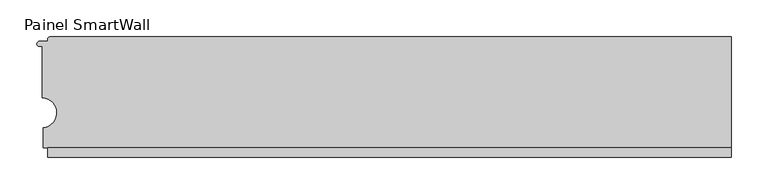
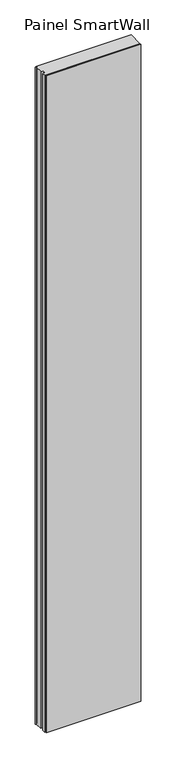
"""IFC4 building model written with IfcOpenShell, lengths in millimetres: proxy geometry, Painel SmartWall."""

import ifcopenshell
import ifcopenshell.guid

model = None  # the IFC model being written
_history = None  # IfcOwnerHistory: only IFC2X3 demands one
_inside = {}  # id of a spatial element -> (the spatial element, [elements in it])
_under = {}  # id of a project, library or spatial element -> (it, [spatial elements below it])
_declared = {}  # id of a project -> (the project, [libraries it declares])
_typed = {}  # id of a type object -> (the type object, [elements of that type])
_made_of = {}  # id of a material, layer set ... -> (it, [elements and type objects made of it])


def new_model(schema):
    """Start an empty IFC model of exactly this schema.

    Asked for "IFC4X3", IfcOpenShell would pick the latest addendum, in which some entities
    have other attributes; the version numbers below select the first issue.
    IFC2X3 requires an IfcOwnerHistory on every rooted entity: one is made here for all.
    """
    global model, _history
    if schema == "IFC4X3":
        model = ifcopenshell.file(schema_version=(4, 3, 0, 0))
    else:
        model = ifcopenshell.file(schema=schema)
    _inside.clear()
    _under.clear()
    _declared.clear()
    _typed.clear()
    _made_of.clear()
    _history = None
    if model.schema == "IFC2X3":
        org = make("IfcOrganization", Name="unknown")
        user = make(
            "IfcPersonAndOrganization",
            ThePerson=make("IfcPerson", FamilyName="unknown"),
            TheOrganization=org,
        )
        app = make(
            "IfcApplication",
            ApplicationDeveloper=org,
            Version="unknown",
            ApplicationFullName="unknown",
            ApplicationIdentifier="unknown",
        )
        _history = make(
            "IfcOwnerHistory",
            OwningUser=user,
            OwningApplication=app,
            ChangeAction="ADDED",
            CreationDate=0,
        )
    return model


def make(cls, **values):
    """One entity of the class cls with the attributes given. An attribute that is None is left unset."""
    return model.create_entity(
        cls, **{name: value for name, value in values.items() if value is not None}
    )


def rooted(cls, **values):
    """An entity with a GlobalId (a new one), such as an element, a storey or a relation."""
    return make(cls, GlobalId=ifcopenshell.guid.new(), OwnerHistory=_history, **values)


def si_unit(unit_type, name, prefix=None):
    """IfcSIUnit, for example si_unit("LENGTHUNIT", "METRE", prefix="MILLI")."""
    return make("IfcSIUnit", UnitType=unit_type, Prefix=prefix, Name=name)


def assignment(units):
    """IfcUnitAssignment: the units of a project."""
    return None if units is None else make("IfcUnitAssignment", Units=units)


def point(xyz):
    """IfcCartesianPoint."""
    return None if xyz is None else make("IfcCartesianPoint", Coordinates=xyz)


def direction(xyz):
    """IfcDirection."""
    return None if xyz is None else make("IfcDirection", DirectionRatios=xyz)


def frame(location, z_axis=None, x_axis=None):
    """IfcAxis2Placement3D, a coordinate frame: its origin and axes. An axis left out is left unset."""
    return make(
        "IfcAxis2Placement3D",
        Location=point(location),
        Axis=direction(z_axis),
        RefDirection=direction(x_axis),
    )


def frame_2d(location, x_axis=None):
    """IfcAxis2Placement2D, a coordinate frame in the plane: its origin and x axis."""
    return make(
        "IfcAxis2Placement2D", Location=point(location), RefDirection=direction(x_axis)
    )


def origin():
    """The frame at (0, 0, 0) with its axes left unset."""
    return frame((0.0, 0.0, 0.0))


def origin_with_axes():
    """The frame at (0, 0, 0) with the z axis (0, 0, 1) and the x axis (1, 0, 0) written out."""
    return frame((0.0, 0.0, 0.0), z_axis=(0.0, 0.0, 1.0), x_axis=(1.0, 0.0, 0.0))


def place(relative_to, where):
    """IfcLocalPlacement: puts the frame where relative to a parent placement (None: the world)."""
    return make(
        "IfcLocalPlacement", PlacementRelTo=relative_to, RelativePlacement=where
    )


def context(
    kind, dimensions, precision=None, world=None, true_north=None, identifier=None
):
    """IfcGeometricRepresentationContext, for example the 3D "Model" context."""
    return make(
        "IfcGeometricRepresentationContext",
        ContextIdentifier=identifier,
        ContextType=kind,
        CoordinateSpaceDimension=dimensions,
        Precision=precision,
        WorldCoordinateSystem=world,
        TrueNorth=true_north,
    )


def project(units=None, contexts=None):
    """IfcProject with its units and contexts."""
    return rooted(
        "IfcProject",
        Name="project",
        RepresentationContexts=contexts,
        UnitsInContext=assignment(units),
    )


def spatial(cls, under=None, at=None, **own):
    """A site, building, storey or space (cls), placed at a placement, below another one or the project."""
    s = rooted(cls, ObjectPlacement=at, **own)
    if under is not None:
        _under.setdefault(under.id(), (under, []))[1].append(s)
    return s


def polyline(points):
    """IfcPolyline through the points."""
    return make("IfcPolyline", Points=[point(p) for p in points])


def circle_curve(where, radius):
    """IfcCircle in the frame where."""
    return make("IfcCircle", Position=where, Radius=radius)


def trimmed(basis, trim1, trim2, sense, master):
    """IfcTrimmedCurve: the piece of a basis curve between two trims."""
    return make(
        "IfcTrimmedCurve",
        BasisCurve=basis,
        Trim1=trim1,
        Trim2=trim2,
        SenseAgreement=sense,
        MasterRepresentation=master,
    )


def segment(curve, same_sense, transition):
    """IfcCompositeCurveSegment."""
    return make(
        "IfcCompositeCurveSegment",
        Transition=transition,
        SameSense=same_sense,
        ParentCurve=curve,
    )


def composite_curve(segments, self_intersect=None):
    """IfcCompositeCurve: segments joined end to end."""
    return make("IfcCompositeCurve", Segments=segments, SelfIntersect=self_intersect)


def outline(outer, holes=None, kind="AREA"):
    """IfcArbitraryClosedProfileDef: a profile drawn as a closed curve; with holes, ...WithVoids."""
    if holes is None:
        return make("IfcArbitraryClosedProfileDef", ProfileType=kind, OuterCurve=outer)
    return make(
        "IfcArbitraryProfileDefWithVoids",
        ProfileType=kind,
        OuterCurve=outer,
        InnerCurves=holes,
    )


def extrude(swept, where, along, depth):
    """IfcExtrudedAreaSolid: the profile swept, set in the frame where, extruded along a direction by depth."""
    return make(
        "IfcExtrudedAreaSolid",
        SweptArea=swept,
        Position=where,
        ExtrudedDirection=direction(along),
        Depth=depth,
    )


def shape(context_of_items, identifier, shape_type, items):
    """IfcShapeRepresentation: the items that make up one representation, for example the "Body"."""
    return make(
        "IfcShapeRepresentation",
        ContextOfItems=context_of_items,
        RepresentationIdentifier=identifier,
        RepresentationType=shape_type,
        Items=items,
    )


def source(mapping_origin, context_of_items, identifier, shape_type, items):
    """IfcRepresentationMap: a shape defined once, which mapped items show again and again."""
    return make(
        "IfcRepresentationMap",
        MappingOrigin=mapping_origin,
        MappedRepresentation=shape(context_of_items, identifier, shape_type, items),
    )


def transform(
    local_origin,
    x_axis=None,
    y_axis=None,
    z_axis=None,
    scale=None,
    scale2=None,
    scale3=None,
    uniform=True,
):
    """IfcCartesianTransformationOperator3D, or its non-uniform kind. x_axis, y_axis, z_axis: its Axis1, 2, 3."""
    if uniform:
        return make(
            "IfcCartesianTransformationOperator3D",
            Axis1=direction(x_axis),
            Axis2=direction(y_axis),
            LocalOrigin=point(local_origin),
            Scale=scale,
            Axis3=direction(z_axis),
        )
    return make(
        "IfcCartesianTransformationOperator3DnonUniform",
        Axis1=direction(x_axis),
        Axis2=direction(y_axis),
        LocalOrigin=point(local_origin),
        Scale=scale,
        Axis3=direction(z_axis),
        Scale2=scale2,
        Scale3=scale3,
    )


def mapped(mapping_source, mapping_target):
    """IfcMappedItem: shows the shape of a source again, moved by a transform."""
    return make(
        "IfcMappedItem", MappingSource=mapping_source, MappingTarget=mapping_target
    )


def made_of(thing, what):
    """Note that an element or type object is made of a material, layer set ...; save() writes the relation."""
    if what is not None:
        _made_of.setdefault(what.id(), (what, []))[1].append(thing)
    return thing


def element(
    cls,
    number,
    at=None,
    inside=None,
    cuts=None,
    type_object=None,
    material=None,
    context=None,
    identifier="Body",
    shape_type=None,
    held_by="IfcProductDefinitionShape",
    body=None,
    shapes=None,
    **own,
):
    """One element of the class cls, such as IfcWall. Its Tag is "e" and its number.

    at: its placement. inside: the storey or other place that contains it. cuts: it is an
    opening in that element (IfcRelVoidsElement). A single representation is given by context,
    identifier, shape_type and body (its items); several are given by shapes. held_by: the class
    of the entity that holds the representations. save() writes the other relations.
    """
    e = rooted(cls, Tag="e%d" % number, ObjectPlacement=at, **own)
    if body is not None:
        shapes = [shape(context, identifier, shape_type, body)]
    if shapes is not None:
        e.Representation = make(held_by, Representations=shapes)
    if inside is not None:
        _inside.setdefault(inside.id(), (inside, []))[1].append(e)
    if cuts is not None:
        rooted(
            "IfcRelVoidsElement", RelatingBuildingElement=cuts, RelatedOpeningElement=e
        )
    if type_object is not None:
        _typed.setdefault(type_object.id(), (type_object, []))[1].append(e)
    return made_of(e, material)


def aggregate(whole, parts):
    """IfcRelAggregates: a whole, such as a stair, and the parts it consists of."""
    return rooted("IfcRelAggregates", RelatingObject=whole, RelatedObjects=parts)


def save(model, path):
    """Write the relations noted so far, then the file.

    IfcRelAggregates (storeys below a building ...), IfcRelContainedInSpatialStructure (elements
    in a storey), IfcRelDefinesByType, IfcRelAssociatesMaterial and IfcRelDeclares: one each for
    every whole, place, type object, material and project.
    """
    for whole, parts in _under.values():
        aggregate(whole, parts)
    for where, things in _inside.values():
        rooted(
            "IfcRelContainedInSpatialStructure",
            RelatedElements=things,
            RelatingStructure=where,
        )
    for kind, things in _typed.values():
        rooted("IfcRelDefinesByType", RelatedObjects=things, RelatingType=kind)
    for what, things in _made_of.values():
        rooted("IfcRelAssociatesMaterial", RelatedObjects=things, RelatingMaterial=what)
    for by, libraries in _declared.values():
        rooted("IfcRelDeclares", RelatingContext=by, RelatedDefinitions=libraries)
    model.write(path)


def painel_smartwall_bddf6da4(model_context):
    return source(origin(), model_context, "Body", "SweptSolid", [
        extrude(outline(polyline([(-557.3296463, -75.0), (366.4282697, -75.0), (366.4282697, -87.5), (-557.3296463, -87.5), (-557.3296463, -75.0)])), origin_with_axes(), (0.0, 0.0, 1.0), 6780.0),
        extrude(outline(composite_curve([segment(trimmed(circle_curve(frame_2d((-568.6450696, 65.6619804)), 3.4568979), [point((-568.6450696, 62.2050825))], [point((-568.6450696, 69.1188783))], False, "CARTESIAN"), True, "CONTINUOUS"), segment(polyline([(-568.6450696, 69.1188783), (-558.8296463, 69.1188783)]), True, "CONTINUOUS"), segment(trimmed(circle_curve(frame_2d((-558.8296463, 70.6188783)), 1.5), [point((-558.8296463, 69.1188783))], [point((-557.3296463, 70.6188783))], True, "CARTESIAN"), True, "CONTINUOUS"), segment(polyline([(-557.3296463, 70.6188783), (-557.3296463, 72.5)]), True, "CONTINUOUS"), segment(trimmed(circle_curve(frame_2d((-554.8296463, 72.5)), 2.5), [point((-557.3296463, 72.5))], [point((-554.8296463, 75.0))], False, "CARTESIAN"), True, "CONTINUOUS"), segment(polyline([(-554.8296463, 75.0), (366.4282697, 75.0), (366.4282697, -75.0), (-563.9, -75.0), (-563.9, -47.615849)]), True, "CONTINUOUS"), segment(trimmed(circle_curve(frame_2d((-565.0726436, -27.5776508)), 20.0724806), [point((-563.9, -47.615849))], [point((-565.0, -7.5053016))], True, "CARTESIAN"), True, "CONTINUOUS"), segment(polyline([(-565.0, -7.5053016), (-565.0, 62.2050825), (-568.6450696, 62.2050825)]), True, "CONTINUOUS")], self_intersect=False)), origin_with_axes(), (0.0, 0.0, 1.0), 6780.0),
    ])


if __name__ == "__main__":
    model = new_model("IFC4")
    model_context = context("Model", 3, world=origin())
    ifc_project = project(units=[si_unit("LENGTHUNIT", "METRE", prefix="MILLI")], contexts=[model_context])
    site = spatial("IfcSite", under=ifc_project)
    building = spatial("IfcBuilding", under=site)
    placement = place(None, origin())
    painel_smartwall_shape = painel_smartwall_bddf6da4(model_context)
    element("IfcBuildingElementProxy", 1, Name="Painel SmartWall", ObjectType="Painel SmartWall", at=placement, inside=building, context=model_context, shape_type="MappedRepresentation", body=[
        mapped(painel_smartwall_shape, transform((0.0, 0.0, 0.0), x_axis=(1.0, 0.0, 0.0), y_axis=(0.0, 1.0, 0.0), z_axis=(0.0, 0.0, 1.0))),
    ])
    save(model, "model.ifc")
